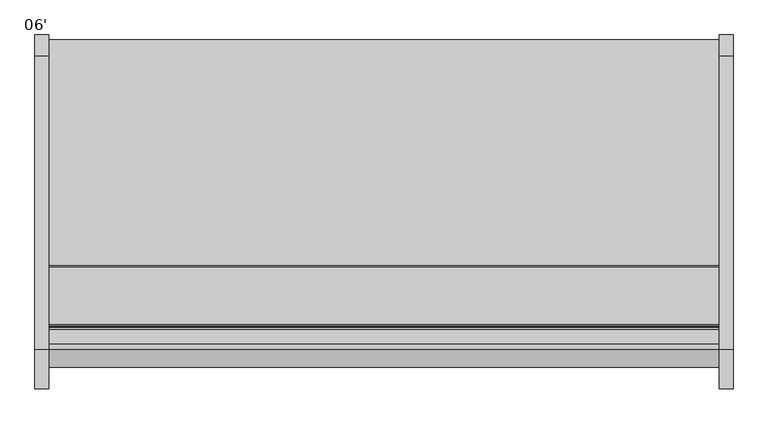
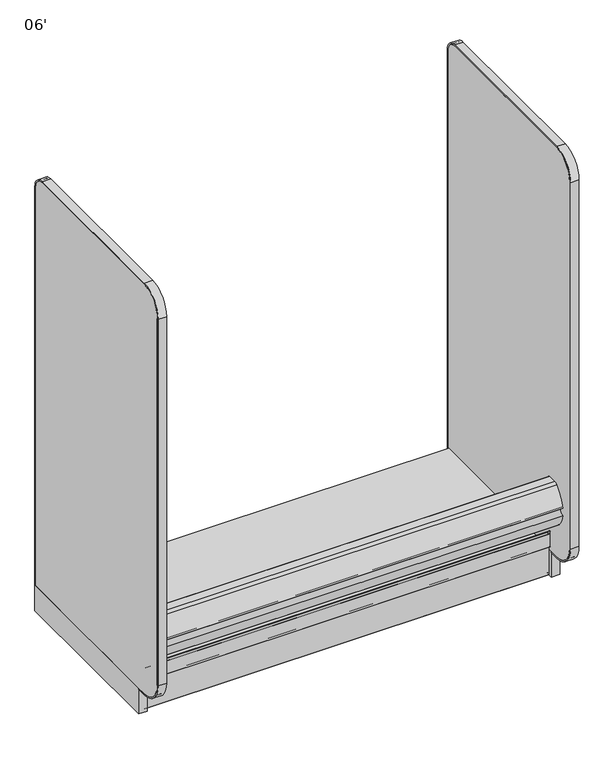
"""IFC4 building model written with IfcOpenShell, lengths in millimetres: proxy geometry, 06'."""

from ifc_helpers import new_model, si_unit, point, frame, frame_2d, origin, origin_with_axes, place, context, project, spatial, polyline, circle_curve, trimmed, segment, composite_curve, outline, extrude, source, transform, mapped, element, save
from ifc_brep_helpers import plane_surface, cylinder_surface, revolved_surface, advanced_brep


def proxy_06_f55e1d6d(model_context):
    return source(origin(), model_context, "Body", "SolidModel", [
        extrude(outline(composite_curve([segment(polyline([(-1243.8542655, 286.2737065), (-1261.7115584, 286.2737065)]), True, "CONTINUOUS"), segment(trimmed(circle_curve(frame_2d((-1260.9098694, 292.6237065)), 6.4004067), [point((-1261.7115584, 286.2737065))], [point((-1265.7089904, 288.3888933))], False, "CARTESIAN"), True, "CONTINUOUS"), segment(trimmed(circle_curve(frame_2d((-1170.6951097, 372.230503)), 126.7164276), [point((-1265.7089904, 288.3888933))], [point((-1295.6416388, 351.1255769))], False, "CARTESIAN"), True, "CONTINUOUS"), segment(trimmed(circle_curve(frame_2d((-1293.1554914, 368.3)), 17.3534359), [point((-1295.6416388, 351.1255769))], [point((-1275.8020556, 368.3))], True, "CARTESIAN"), True, "CONTINUOUS"), segment(trimmed(circle_curve(frame_2d((-1293.1554914, 368.3)), 17.3534359), [point((-1275.8020556, 368.3))], [point((-1295.5974754, 385.4807581))], True, "CARTESIAN"), True, "CONTINUOUS"), segment(trimmed(circle_curve(frame_2d((-1123.5833576, 340.4920564)), 177.8), [point((-1295.5974754, 385.4807581))], [point((-1246.7017432, 468.7679432))], False, "CARTESIAN"), True, "CONTINUOUS"), segment(trimmed(circle_curve(frame_2d((-1231.2086688, 452.6258548)), 22.3741452), [point((-1246.7017432, 468.7679432))], [point((-1231.2086688, 475.0))], False, "CARTESIAN"), True, "CONTINUOUS"), segment(polyline([(-1231.2086688, 475.0), (-1191.1416396, 475.0)]), True, "CONTINUOUS"), segment(trimmed(circle_curve(frame_2d((-1191.1416396, 471.8702298)), 3.1297702), [point((-1191.1416396, 475.0))], [point((-1188.0118694, 471.8702298))], False, "CARTESIAN"), True, "CONTINUOUS"), segment(polyline([(-1188.0118694, 471.8702298), (-1188.0118694, 435.4061531), (-1192.8459273, 435.4061531), (-1192.8459273, 391.0306785), (-1243.8542655, 391.0306785), (-1243.8542655, 286.2737065)]), True, "CONTINUOUS")], self_intersect=False)), frame((0.0, 0.0, 0.0), z_axis=(1.0, 0.0, 0.0), x_axis=(0.0, 1.0, 0.0)), (0.0, 0.0, 1.0), 1828.8),
        advanced_brep(
        [(1828.8, -1193.9235446, 202.62215), (1828.8, -1191.4724446, 200.17105), (1828.8, -1185.3954946, 200.17105), (1828.8, -1183.7952946, 198.57085), (1828.8, -1183.7952946, 164.8413675), (1828.8, -1185.5732946, 164.8413675), (1828.8, -1185.5732946, 1.55575), (1828.8, -1184.0175446, 0.0), (1828.8, -1166.8090379, 0.0), (1828.8, -1166.8090379, 0.762), (1828.8, -1184.0175446, 0.762), (1828.8, -1184.8112946, 1.55575), (1828.8, -1183.7952946, 1.55575), (1828.8, -1183.7952946, 95.4659), (1828.8, -1182.9316946, 95.4659), (1828.8, -1182.9316946, 198.57085), (1828.8, -1185.3954946, 201.03465), (1828.8, -1191.3975765, 201.03465), (1828.8, -1193.0599446, 202.6970181), (1828.8, -1193.0599446, 214.9081137), (1828.8, -1194.8379446, 214.9081137), (1828.8, -1194.8379446, 140.8717318), (1828.8, -1193.0599446, 140.8717318), (1828.8, -1193.0599446, 150.2537), (1828.8, -1193.9235446, 150.2537), (0.0, -1193.9235446, 202.62215), (0.0, -1193.9235446, 150.2537), (0.0, -1193.0599446, 150.2537), (0.0, -1193.0599446, 140.8717318), (0.0, -1194.8379446, 140.8717318), (0.0, -1194.8379446, 214.9081137), (0.0, -1193.0599446, 214.9081137), (0.0, -1193.0599446, 202.6970181), (0.0, -1191.3975765, 201.03465), (0.0, -1185.3954946, 201.03465), (0.0, -1182.9316946, 198.57085), (0.0, -1182.9316946, 95.4659), (0.0, -1183.7952946, 95.4659), (0.0, -1183.7952946, 1.55575), (0.0, -1184.8112946, 1.55575), (0.0, -1184.0175446, 0.762), (0.0, -1166.8090379, 0.762), (0.0, -1166.8090379, 0.0), (0.0, -1184.0175446, 0.0), (0.0, -1185.5732946, 1.55575), (0.0, -1185.5732946, 164.8413675), (0.0, -1183.7952946, 164.8413675), (0.0, -1183.7952946, 198.57085), (0.0, -1185.3954946, 200.17105), (0.0, -1191.4724446, 200.17105)],
        [
            (0, 1, circle_curve(frame((1828.8, -1191.4724446, 202.62215), z_axis=(1.0, 0.0, 0.0), x_axis=(0.0, 1.0, 0.0)), 2.4511)),
            (1, 2),
            (2, 3, circle_curve(frame((1828.8, -1185.3954946, 198.57085), z_axis=(-1.0, 0.0, 0.0), x_axis=(0.0, 1.0, 0.0)), 1.6002)),
            (3, 4),
            (4, 5, circle_curve(frame((1828.8, -1184.6842946, 164.8413675), z_axis=(1.0, 0.0, 0.0), x_axis=(0.0, 1.0, 0.0)), 0.889)),
            (5, 6),
            (6, 7, circle_curve(frame((1828.8, -1184.0175446, 1.55575), z_axis=(1.0, 0.0, 0.0), x_axis=(0.0, 1.0, 0.0)), 1.55575)),
            (7, 8),
            (8, 9, circle_curve(frame((1828.8, -1166.8090379, 0.381), z_axis=(1.0, 0.0, 0.0), x_axis=(0.0, 1.0, 0.0)), 0.381)),
            (9, 10),
            (10, 11, circle_curve(frame((1828.8, -1184.0175446, 1.55575), z_axis=(-1.0, 0.0, 0.0), x_axis=(0.0, 1.0, 0.0)), 0.79375)),
            (11, 12),
            (12, 13),
            (13, 14),
            (14, 15),
            (15, 16, circle_curve(frame((1828.8, -1185.3954946, 198.57085), z_axis=(1.0, 0.0, 0.0), x_axis=(0.0, 1.0, 0.0)), 2.4638)),
            (16, 17),
            (17, 18, circle_curve(frame((1828.8, -1191.3975765, 202.6970181), z_axis=(-1.0, 0.0, 0.0), x_axis=(0.0, 1.0, 0.0)), 1.6623681)),
            (18, 19),
            (19, 20, circle_curve(frame((1828.8, -1193.9489446, 214.9081137), z_axis=(1.0, 0.0, 0.0), x_axis=(0.0, 1.0, 0.0)), 0.889)),
            (20, 21),
            (21, 22, circle_curve(frame((1828.8, -1193.9489446, 140.8717318), z_axis=(1.0, 0.0, 0.0), x_axis=(0.0, 1.0, 0.0)), 0.889)),
            (22, 23),
            (23, 24),
            (24, 0),
            (25, 26),
            (26, 27),
            (27, 28),
            (28, 29, circle_curve(frame((0.0, -1193.9489446, 140.8717318), z_axis=(-1.0, 0.0, 0.0), x_axis=(0.0, 1.0, 0.0)), 0.889)),
            (29, 30),
            (30, 31, circle_curve(frame((0.0, -1193.9489446, 214.9081137), z_axis=(-1.0, 0.0, 0.0), x_axis=(0.0, 1.0, 0.0)), 0.889)),
            (31, 32),
            (32, 33, circle_curve(frame((0.0, -1191.3975765, 202.6970181), z_axis=(1.0, 0.0, 0.0), x_axis=(0.0, 1.0, 0.0)), 1.6623681)),
            (33, 34),
            (34, 35, circle_curve(frame((0.0, -1185.3954946, 198.57085), z_axis=(-1.0, 0.0, 0.0), x_axis=(0.0, 1.0, 0.0)), 2.4638)),
            (35, 36),
            (36, 37),
            (37, 38),
            (38, 39),
            (39, 40, circle_curve(frame((0.0, -1184.0175446, 1.55575), z_axis=(1.0, 0.0, 0.0), x_axis=(0.0, 1.0, 0.0)), 0.79375)),
            (40, 41),
            (41, 42, circle_curve(frame((0.0, -1166.8090379, 0.381), z_axis=(-1.0, 0.0, 0.0), x_axis=(0.0, 1.0, 0.0)), 0.381)),
            (42, 43),
            (43, 44, circle_curve(frame((0.0, -1184.0175446, 1.55575), z_axis=(-1.0, 0.0, 0.0), x_axis=(0.0, 1.0, 0.0)), 1.55575)),
            (44, 45),
            (45, 46, circle_curve(frame((0.0, -1184.6842946, 164.8413675), z_axis=(-1.0, 0.0, 0.0), x_axis=(0.0, 1.0, 0.0)), 0.889)),
            (46, 47),
            (47, 48, circle_curve(frame((0.0, -1185.3954946, 198.57085), z_axis=(1.0, 0.0, 0.0), x_axis=(0.0, 1.0, 0.0)), 1.6002)),
            (48, 49),
            (49, 25, circle_curve(frame((0.0, -1191.4724446, 202.62215), z_axis=(-1.0, 0.0, 0.0), x_axis=(0.0, 1.0, 0.0)), 2.4511)),
            (0, 25),
            (49, 1),
            (48, 2),
            (47, 3),
            (46, 4),
            (45, 5),
            (44, 6),
            (43, 7),
            (42, 8),
            (41, 9),
            (40, 10),
            (39, 11),
            (38, 12),
            (37, 13),
            (36, 14),
            (35, 15),
            (34, 16),
            (33, 17),
            (32, 18),
            (31, 19),
            (30, 20),
            (29, 21),
            (28, 22),
            (27, 23),
            (26, 24),
        ],
        [
            plane_surface(frame((1828.8, -1189.0213446, 202.62215), z_axis=(1.0, 0.0, 0.0), x_axis=(0.0, 0.0, 1.0))),
            plane_surface(frame((0.0, -1189.0213446, 202.62215), z_axis=(-1.0, 0.0, 0.0), x_axis=(0.0, 0.0, -1.0))),
            cylinder_surface(frame((0.0, -1191.4724446, 202.62215), z_axis=(1.0, 0.0, 0.0), x_axis=(0.0, 1.0, 0.0)), 2.4511),
            plane_surface(frame((1828.8, -1191.4724446, 200.17105), z_axis=(0.0, 0.0, -1.0), x_axis=(-1.0, 0.0, 0.0))),
            revolved_surface(polyline([(0.0, -1183.7952945999998, 198.57085), (1828.8, -1183.7952945999998, 198.57085)]), (0.0, -1185.3954946, 198.57085), (-1.0, 0.0, 0.0)),
            plane_surface(frame((1828.8, -1183.7952946, 198.57085), z_axis=(0.0, -1.0, 0.0), x_axis=(-1.0, 0.0, 0.0))),
            cylinder_surface(frame((0.0, -1184.6842946, 164.8413675), z_axis=(1.0, 0.0, 0.0), x_axis=(0.0, 1.0, 0.0)), 0.889),
            plane_surface(frame((1828.8, -1185.5732946, 164.8413675), z_axis=(0.0, -1.0, 0.0), x_axis=(-1.0, 0.0, 0.0))),
            cylinder_surface(frame((0.0, -1184.0175446, 1.55575), z_axis=(1.0, 0.0, 0.0), x_axis=(0.0, 1.0, 0.0)), 1.55575),
            plane_surface(frame((1828.8, -1184.0175446, 0.0), z_axis=(0.0, 0.0, -1.0), x_axis=(-1.0, 0.0, 0.0))),
            cylinder_surface(frame((0.0, -1166.8090379, 0.381), z_axis=(1.0, 0.0, 0.0), x_axis=(0.0, 1.0, 0.0)), 0.381),
            plane_surface(frame((1828.8, -1166.8090379, 0.762), z_axis=(0.0, 0.0, 1.0), x_axis=(-1.0, 0.0, 0.0))),
            revolved_surface(polyline([(0.0, -1183.2237946, 1.55575), (1828.8, -1183.2237946, 1.55575)]), (0.0, -1184.0175446, 1.55575), (-1.0, 0.0, 0.0)),
            plane_surface(frame((1828.8, -1184.8112946, 1.55575), z_axis=(0.0, 0.0, -1.0), x_axis=(-1.0, 0.0, 0.0))),
            plane_surface(frame((1828.8, -1183.7952946, 1.55575), z_axis=(0.0, 1.0, 0.0), x_axis=(-1.0, 0.0, 0.0))),
            plane_surface(frame((1828.8, -1183.7952946, 95.4659), z_axis=(0.0, 0.0, -1.0), x_axis=(-1.0, 0.0, 0.0))),
            plane_surface(frame((1828.8, -1182.9316946, 95.4659), z_axis=(0.0, 1.0, 0.0), x_axis=(-1.0, 0.0, 0.0))),
            cylinder_surface(frame((0.0, -1185.3954946, 198.57085), z_axis=(1.0, 0.0, 0.0), x_axis=(0.0, 1.0, 0.0)), 2.4638),
            plane_surface(frame((1828.8, -1185.3954946, 201.03465), z_axis=(0.0, 0.0, 1.0), x_axis=(-1.0, 0.0, 0.0))),
            revolved_surface(polyline([(0.0, -1189.7352084, 202.6970181), (1828.8, -1189.7352084, 202.6970181)]), (0.0, -1191.3975765, 202.6970181), (-1.0, 0.0, 0.0)),
            plane_surface(frame((1828.8, -1193.0599446, 202.6970181), z_axis=(0.0, 1.0, 0.0), x_axis=(-1.0, 0.0, 0.0))),
            cylinder_surface(frame((0.0, -1193.9489446, 214.9081137), z_axis=(1.0, 0.0, 0.0), x_axis=(0.0, 1.0, 0.0)), 0.889),
            plane_surface(frame((1828.8, -1194.8379446, 214.9081137), z_axis=(0.0, -1.0, 0.0), x_axis=(-1.0, 0.0, 0.0))),
            cylinder_surface(frame((0.0, -1193.9489446, 140.8717318), z_axis=(1.0, 0.0, 0.0), x_axis=(0.0, 1.0, 0.0)), 0.889),
            plane_surface(frame((1828.8, -1193.0599446, 140.8717318), z_axis=(0.0, 1.0, 0.0), x_axis=(-1.0, 0.0, 0.0))),
            plane_surface(frame((1828.8, -1193.0599446, 150.2537), z_axis=(0.0, 0.0, 1.0), x_axis=(-1.0, 0.0, 0.0))),
            plane_surface(frame((1828.8, -1193.9235446, 150.2537), z_axis=(0.0, 1.0, 0.0), x_axis=(-1.0, 0.0, 0.0))),
        ],
        [
            (0, [[1, 2, 3, 4, 5, 6, 7, 8, 9, 10, 11, 12, 13, 14, 15, 16, 17, 18, 19, 20, 21, 22, 23, 24, 25]]),
            (1, [[26, 27, 28, 29, 30, 31, 32, 33, 34, 35, 36, 37, 38, 39, 40, 41, 42, 43, 44, 45, 46, 47, 48, 49, 50]]),
            (2, [[-1, 51, -50, 52]]),
            (3, [[-2, -52, -49, 53]]),
            (4, [[-3, -53, -48, 54]]),
            (5, [[-4, -54, -47, 55]]),
            (6, [[-5, -55, -46, 56]]),
            (7, [[-6, -56, -45, 57]]),
            (8, [[-7, -57, -44, 58]]),
            (9, [[-8, -58, -43, 59]]),
            (10, [[-9, -59, -42, 60]]),
            (11, [[-10, -60, -41, 61]]),
            (12, [[-11, -61, -40, 62]]),
            (13, [[-12, -62, -39, 63]]),
            (14, [[-13, -63, -38, 64]]),
            (15, [[-14, -64, -37, 65]]),
            (16, [[-15, -65, -36, 66]]),
            (17, [[-16, -66, -35, 67]]),
            (18, [[-17, -67, -34, 68]]),
            (19, [[-18, -68, -33, 69]]),
            (20, [[-19, -69, -32, 70]]),
            (21, [[-20, -70, -31, 71]]),
            (22, [[-21, -71, -30, 72]]),
            (23, [[-22, -72, -29, 73]]),
            (24, [[-23, -73, -28, 74]]),
            (25, [[-24, -74, -27, 75]]),
            (26, [[-25, -75, -26, -51]]),
        ],
    ),
        extrude(outline(composite_curve([segment(polyline([(-1017.4379946, 26.7240044), (-1086.7444337, 8.1534), (-1178.9692946, 8.1534)]), True, "CONTINUOUS"), segment(trimmed(circle_curve(frame_2d((-1178.9692946, 12.1158)), 3.9624), [point((-1178.9692946, 8.1534))], [point((-1182.9316946, 12.1158))], False, "CARTESIAN"), True, "CONTINUOUS"), segment(polyline([(-1182.9316946, 12.1158), (-1182.9316946, 123.6472)]), True, "CONTINUOUS"), segment(trimmed(circle_curve(frame_2d((-1177.7754946, 123.6472)), 5.1562), [point((-1182.9316946, 123.6472))], [point((-1177.7754946, 128.8034))], False, "CARTESIAN"), True, "CONTINUOUS"), segment(polyline([(-1177.7754946, 128.8034), (-1022.5941946, 128.8034)]), True, "CONTINUOUS"), segment(trimmed(circle_curve(frame_2d((-1022.5941946, 123.6472)), 5.1562), [point((-1022.5941946, 128.8034))], [point((-1017.4379946, 123.6472))], False, "CARTESIAN"), True, "CONTINUOUS"), segment(polyline([(-1017.4379946, 123.6472), (-1017.4379946, 26.7240044)]), True, "CONTINUOUS")], self_intersect=False)), frame((0.0, 0.0, 0.0), z_axis=(1.0, 0.0, 0.0), x_axis=(0.0, 1.0, 0.0)), (0.0, 0.0, 1.0), 1828.8),
        extrude(outline(composite_curve([segment(trimmed(circle_curve(frame_2d((-403.8965273, 5.1562)), 2.3876), [point((-401.5089273, 5.1562))], [point((-403.8965273, 2.7686))], False, "CARTESIAN"), True, "CONTINUOUS"), segment(polyline([(-403.8965273, 2.7686), (-436.5089273, 2.7686), (-436.5089273, 74.8810382), (-980.5089273, 74.8810382), (-980.5089273, 2.7751857), (-1015.0491667, 2.7751857)]), True, "CONTINUOUS"), segment(trimmed(circle_curve(frame_2d((-1015.0491667, 5.1667924)), 2.3916067), [point((-1015.0491667, 2.7751857))], [point((-1017.4407734, 5.1667924))], False, "CARTESIAN"), True, "CONTINUOUS"), segment(polyline([(-1017.4407734, 5.1667924), (-1017.4407734, 130.175), (-401.5089273, 130.175), (-401.5089273, 5.1562)]), True, "CONTINUOUS")], self_intersect=False)), frame((0.0, 0.0, 0.0), z_axis=(1.0, 0.0, 0.0), x_axis=(0.0, 1.0, 0.0)), (0.0, 0.0, 1.0), 1828.8),
        extrude(outline(composite_curve([segment(polyline([(-395.1589273, 123.825), (-1245.9560256, 123.825)]), True, "CONTINUOUS"), segment(trimmed(circle_curve(frame_2d((-1245.9560256, 225.425)), 101.6), [point((-1245.9560256, 123.825))], [point((-1347.5560256, 225.425))], False, "CARTESIAN"), True, "CONTINUOUS"), segment(polyline([(-1347.5560256, 225.425), (-1347.5560256, 1978.025)]), True, "CONTINUOUS"), segment(trimmed(circle_curve(frame_2d((-1245.9560256, 1978.025)), 101.6), [point((-1347.5560256, 1978.025))], [point((-1245.9560256, 2079.625))], False, "CARTESIAN"), True, "CONTINUOUS"), segment(polyline([(-1245.9560256, 2079.625), (-445.9589273, 2079.625)]), True, "CONTINUOUS"), segment(trimmed(circle_curve(frame_2d((-445.9589273, 2028.825)), 50.8), [point((-445.9589273, 2079.625))], [point((-395.1589273, 2028.825))], False, "CARTESIAN"), True, "CONTINUOUS"), segment(polyline([(-395.1589273, 2028.825), (-395.1589273, 123.825)]), True, "CONTINUOUS")], self_intersect=False)), frame((1828.8, 0.0, 0.0), z_axis=(1.0, 0.0, 0.0), x_axis=(0.0, 1.0, 0.0)), (0.0, 0.0, 1.0), 38.1),
        extrude(outline(composite_curve([segment(polyline([(-445.9589273, 2079.625), (-1245.9560256, 2079.625)]), True, "CONTINUOUS"), segment(trimmed(circle_curve(frame_2d((-1245.9560256, 1978.025)), 101.6), [point((-1245.9560256, 2079.625))], [point((-1347.5560256, 1978.025))], True, "CARTESIAN"), True, "CONTINUOUS"), segment(polyline([(-1347.5560256, 1978.025), (-1347.5560256, 225.425)]), True, "CONTINUOUS"), segment(trimmed(circle_curve(frame_2d((-1245.9560256, 225.425)), 101.6), [point((-1347.5560256, 225.425))], [point((-1245.9560256, 123.825))], True, "CARTESIAN"), True, "CONTINUOUS"), segment(polyline([(-1245.9560256, 123.825), (-1202.4531511, 123.825), (-1202.4531511, 117.475), (-1245.9560256, 117.475)]), True, "CONTINUOUS"), segment(trimmed(circle_curve(frame_2d((-1245.9560256, 225.425)), 107.95), [point((-1245.9560256, 117.475))], [point((-1353.9060256, 225.425))], False, "CARTESIAN"), True, "CONTINUOUS"), segment(polyline([(-1353.9060256, 225.425), (-1353.9060256, 1978.025)]), True, "CONTINUOUS"), segment(trimmed(circle_curve(frame_2d((-1245.9560256, 1978.025)), 107.95), [point((-1353.9060256, 1978.025))], [point((-1245.9560256, 2085.975))], False, "CARTESIAN"), True, "CONTINUOUS"), segment(polyline([(-1245.9560256, 2085.975), (-445.9589273, 2085.975)]), True, "CONTINUOUS"), segment(trimmed(circle_curve(frame_2d((-445.9589273, 2028.825)), 57.15), [point((-445.9589273, 2085.975))], [point((-388.8089273, 2028.825))], False, "CARTESIAN"), True, "CONTINUOUS"), segment(polyline([(-388.8089273, 2028.825), (-388.8089273, 123.825), (-395.1589273, 123.825), (-395.1589273, 2028.825)]), True, "CONTINUOUS"), segment(trimmed(circle_curve(frame_2d((-445.9589273, 2028.825)), 50.8), [point((-395.1589273, 2028.825))], [point((-445.9589273, 2079.625))], True, "CARTESIAN"), True, "CONTINUOUS")], self_intersect=False)), frame((1828.8, 0.0, 0.0), z_axis=(1.0, 0.0, 0.0), x_axis=(0.0, 1.0, 0.0)), (0.0, 0.0, 1.0), 38.1),
        extrude(outline(polyline([(1866.9, -388.8089273), (1866.9, -1202.4531511), (1828.8, -1202.4531511), (1828.8, -388.8089273), (1866.9, -388.8089273)])), origin_with_axes(), (0.0, 0.0, 1.0), 123.825),
        extrude(outline(composite_curve([segment(polyline([(-395.1589273, 123.825), (-1245.9560256, 123.825)]), True, "CONTINUOUS"), segment(trimmed(circle_curve(frame_2d((-1245.9560256, 225.425)), 101.6), [point((-1245.9560256, 123.825))], [point((-1347.5560256, 225.425))], False, "CARTESIAN"), True, "CONTINUOUS"), segment(polyline([(-1347.5560256, 225.425), (-1347.5560256, 1978.025)]), True, "CONTINUOUS"), segment(trimmed(circle_curve(frame_2d((-1245.9560256, 1978.025)), 101.6), [point((-1347.5560256, 1978.025))], [point((-1245.9560256, 2079.625))], False, "CARTESIAN"), True, "CONTINUOUS"), segment(polyline([(-1245.9560256, 2079.625), (-445.9589273, 2079.625)]), True, "CONTINUOUS"), segment(trimmed(circle_curve(frame_2d((-445.9589273, 2028.825)), 50.8), [point((-445.9589273, 2079.625))], [point((-395.1589273, 2028.825))], False, "CARTESIAN"), True, "CONTINUOUS"), segment(polyline([(-395.1589273, 2028.825), (-395.1589273, 123.825)]), True, "CONTINUOUS")], self_intersect=False)), frame((-38.1, 0.0, 0.0), z_axis=(1.0, 0.0, 0.0), x_axis=(0.0, 1.0, 0.0)), (0.0, 0.0, 1.0), 38.1),
        extrude(outline(composite_curve([segment(polyline([(-445.9589273, 2079.625), (-1245.9560256, 2079.625)]), True, "CONTINUOUS"), segment(trimmed(circle_curve(frame_2d((-1245.9560256, 1978.025)), 101.6), [point((-1245.9560256, 2079.625))], [point((-1347.5560256, 1978.025))], True, "CARTESIAN"), True, "CONTINUOUS"), segment(polyline([(-1347.5560256, 1978.025), (-1347.5560256, 225.425)]), True, "CONTINUOUS"), segment(trimmed(circle_curve(frame_2d((-1245.9560256, 225.425)), 101.6), [point((-1347.5560256, 225.425))], [point((-1245.9560256, 123.825))], True, "CARTESIAN"), True, "CONTINUOUS"), segment(polyline([(-1245.9560256, 123.825), (-1202.4531511, 123.825), (-1202.4531511, 117.475), (-1245.9560256, 117.475)]), True, "CONTINUOUS"), segment(trimmed(circle_curve(frame_2d((-1245.9560256, 225.425)), 107.95), [point((-1245.9560256, 117.475))], [point((-1353.9060256, 225.425))], False, "CARTESIAN"), True, "CONTINUOUS"), segment(polyline([(-1353.9060256, 225.425), (-1353.9060256, 1978.025)]), True, "CONTINUOUS"), segment(trimmed(circle_curve(frame_2d((-1245.9560256, 1978.025)), 107.95), [point((-1353.9060256, 1978.025))], [point((-1245.9560256, 2085.975))], False, "CARTESIAN"), True, "CONTINUOUS"), segment(polyline([(-1245.9560256, 2085.975), (-445.9589273, 2085.975)]), True, "CONTINUOUS"), segment(trimmed(circle_curve(frame_2d((-445.9589273, 2028.825)), 57.15), [point((-445.9589273, 2085.975))], [point((-388.8089273, 2028.825))], False, "CARTESIAN"), True, "CONTINUOUS"), segment(polyline([(-388.8089273, 2028.825), (-388.8089273, 123.825), (-395.1589273, 123.825), (-395.1589273, 2028.825)]), True, "CONTINUOUS"), segment(trimmed(circle_curve(frame_2d((-445.9589273, 2028.825)), 50.8), [point((-395.1589273, 2028.825))], [point((-445.9589273, 2079.625))], True, "CARTESIAN"), True, "CONTINUOUS")], self_intersect=False)), frame((-38.1, 0.0, 0.0), z_axis=(1.0, 0.0, 0.0), x_axis=(0.0, 1.0, 0.0)), (0.0, 0.0, 1.0), 38.1),
        extrude(outline(polyline([(0.0, -388.8089273), (0.0, -1202.4531511), (-38.1, -1202.4531511), (-38.1, -388.8089273), (0.0, -388.8089273)])), origin_with_axes(), (0.0, 0.0, 1.0), 123.825),
    ])


if __name__ == "__main__":
    model = new_model("IFC4")
    model_context = context("Model", 3, world=origin())
    ifc_project = project(units=[si_unit("LENGTHUNIT", "METRE", prefix="MILLI")], contexts=[model_context])
    site = spatial("IfcSite", under=ifc_project)
    building = spatial("IfcBuilding", under=site)
    placement = place(None, origin())
    proxy_06_shape = proxy_06_f55e1d6d(model_context)
    element("IfcBuildingElementProxy", 1, Name="06'", ObjectType="06'", at=placement, inside=building, context=model_context, shape_type="MappedRepresentation", body=[
        mapped(proxy_06_shape, transform((0.0, 0.0, 0.0), x_axis=(1.0, 0.0, 0.0), y_axis=(0.0, 1.0, 0.0), z_axis=(0.0, 0.0, 1.0))),
    ])
    save(model, "model.ifc")
